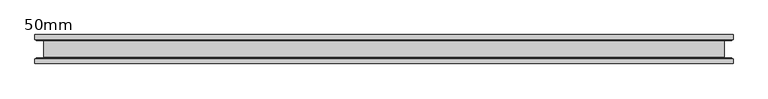
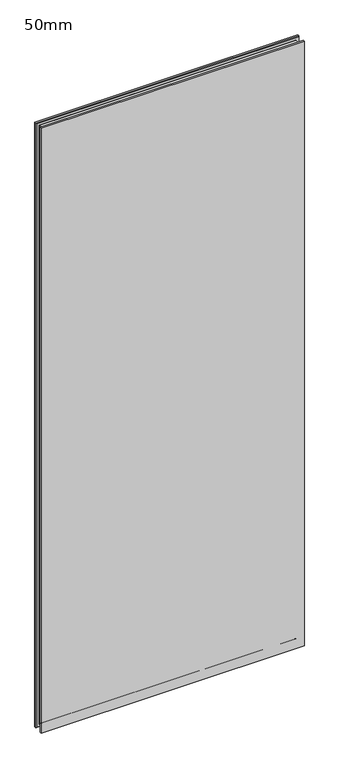
"""IFC4 building model written with IfcOpenShell, lengths in millimetres: plate geometry, 50mm."""

from ifc_helpers import new_model, si_unit, frame, origin, place, context, project, spatial, polyline, ellipse_curve, source, transform, mapped, element, save
from ifc_brep_helpers import plane_surface, revolved_surface, advanced_brep


def plate_50mm_57ffb64d(model_context):
    return source(origin(), model_context, "Body", "AdvancedBrep", [
        advanced_brep(
        [(600.0, 25.0, 2900.0), (-600.0, 25.0, 2900.0), (-600.0, 17.0, 2900.0), (600.0, 17.0, 2900.0), (-600.0, -25.0, 2900.0), (600.0, -25.0, 2900.0), (600.0, -17.0, 2900.0), (-600.0, -17.0, 2900.0), (600.0, -25.0, -13.5), (-600.0, -25.0, -13.5), (-600.0, -17.0, -13.5), (600.0, -17.0, -13.5), (-600.0, 25.0, -13.5), (600.0, 25.0, -13.5), (600.0, 17.0, -13.5), (-600.0, 17.0, -13.5), (-598.0, -15.0, -11.5), (598.0, -15.0, -11.5), (-585.0, -14.4, 1.5), (585.0, -14.4, 1.5), (585.6, -15.0, 0.9), (-585.6, -15.0, 0.9), (-585.0, 14.4, 1.5), (585.0, 14.4, 1.5), (-585.6, 15.0, 0.9), (585.6, 15.0, 0.9), (598.0, 15.0, -11.5), (-598.0, 15.0, -11.5), (598.0, -15.0, 2898.0), (585.0, -14.4, 2885.0), (585.6, -15.0, 2885.6), (585.0, 14.4, 2885.0), (585.6, 15.0, 2885.6), (598.0, 15.0, 2898.0), (-598.0, -15.0, 2898.0), (-585.0, -14.4, 2885.0), (-585.6, -15.0, 2885.6), (-585.0, 14.4, 2885.0), (-585.6, 15.0, 2885.6), (-598.0, 15.0, 2898.0)],
        [
            (0, 1),
            (1, 2),
            (2, 3),
            (3, 0),
            (4, 5),
            (5, 6),
            (6, 7),
            (7, 4),
            (8, 9),
            (9, 10),
            (10, 11),
            (11, 8),
            (12, 13),
            (13, 14),
            (14, 15),
            (15, 12),
            (0, 13),
            (12, 1),
            (15, 2),
            (9, 4),
            (7, 10),
            (8, 5),
            (3, 14),
            (11, 6),
            (16, 17),
            (17, 11),
            (10, 16),
            (18, 19),
            (19, 20, ellipse_curve(frame((585.6, -14.4, 0.9), z_axis=(0.7071067811865475, 0.0, 0.7071067811865475), x_axis=(-0.7071067811865476, 0.0, 0.7071067811865474)), 0.8485281, 0.6)),
            (20, 21),
            (21, 18, ellipse_curve(frame((-585.6, -14.4, 0.9), z_axis=(-0.7071067811865475, 0.0, 0.7071067811865475), x_axis=(-0.7071067811865476, 0.0, -0.7071067811865474)), 0.8485281, 0.6)),
            (18, 22),
            (22, 23),
            (23, 19),
            (22, 24, ellipse_curve(frame((-585.6, 14.4, 0.9), z_axis=(-0.7071067811865475, 0.0, 0.7071067811865475), x_axis=(-0.7071067811865476, 0.0, -0.7071067811865474)), 0.8485281, 0.6)),
            (24, 25),
            (25, 23, ellipse_curve(frame((585.6, 14.4, 0.9), z_axis=(0.7071067811865475, 0.0, 0.7071067811865475), x_axis=(-0.7071067811865476, 0.0, 0.7071067811865474)), 0.8485281, 0.6)),
            (14, 26),
            (26, 27),
            (27, 15),
            (17, 28),
            (28, 6),
            (19, 29),
            (29, 30, ellipse_curve(frame((585.6, -14.4, 2885.6), z_axis=(-0.7071067811865475, 0.0, 0.7071067811865475), x_axis=(-0.7071067811865474, 0.0, -0.7071067811865476)), 0.8485281, 0.6)),
            (30, 20),
            (23, 31),
            (31, 29),
            (25, 32),
            (32, 31, ellipse_curve(frame((585.6, 14.4, 2885.6), z_axis=(-0.7071067811865475, 0.0, 0.7071067811865475), x_axis=(-0.7071067811865474, 0.0, -0.7071067811865476)), 0.8485281, 0.6)),
            (3, 33),
            (33, 26),
            (28, 34),
            (34, 7),
            (29, 35),
            (35, 36, ellipse_curve(frame((-585.6, -14.4, 2885.6), z_axis=(-0.7071067811865475, 0.0, -0.7071067811865475), x_axis=(0.7071067811865476, 0.0, -0.7071067811865474)), 0.8485281, 0.6)),
            (36, 30),
            (31, 37),
            (37, 35),
            (32, 38),
            (38, 37, ellipse_curve(frame((-585.6, 14.4, 2885.6), z_axis=(-0.7071067811865475, 0.0, -0.7071067811865475), x_axis=(0.7071067811865476, 0.0, -0.7071067811865474)), 0.8485281, 0.6)),
            (2, 39),
            (39, 33),
            (34, 16),
            (36, 21),
            (35, 18),
            (37, 22),
            (38, 24),
            (39, 27),
        ],
        [
            plane_surface(frame((-600.0, 25.0, 2900.0), z_axis=(0.0, 0.0, 1.0), x_axis=(-1.0, 0.0, 0.0))),
            plane_surface(frame((-600.0, 25.0, -13.5), z_axis=(0.0, 0.0, -1.0), x_axis=(1.0, 0.0, 0.0))),
            plane_surface(frame((600.0, 25.0, 2900.0), z_axis=(0.0, 1.0, 0.0), x_axis=(0.0, 0.0, -1.0))),
            plane_surface(frame((-600.0, 25.0, 2900.0), z_axis=(-1.0, 0.0, 0.0), x_axis=(0.0, 0.0, -1.0))),
            plane_surface(frame((-600.0, -25.0, 2900.0), z_axis=(0.0, -1.0, 0.0), x_axis=(0.0, 0.0, -1.0))),
            plane_surface(frame((600.0, -25.0, 2900.0), z_axis=(1.0, 0.0, 0.0), x_axis=(0.0, 0.0, -1.0))),
            plane_surface(frame((-600.0, -17.0, -13.5), z_axis=(0.0, 0.7071067811866751, -0.7071067811864199), x_axis=(1.0, 0.0, 0.0))),
            revolved_surface(polyline([(-586.1999999735374, -14.400000000002729, 1.5), (586.1999999735372, -14.400000000002729, 1.5)]), (-586.5, -14.4, 0.9), (-1.0, 0.0, 0.0)),
            plane_surface(frame((-585.0, -14.4, 1.5), z_axis=(0.0, 0.0, -1.0), x_axis=(1.0, 0.0, 0.0))),
            revolved_surface(polyline([(-586.1999999735374, 15.0, 0.9), (586.1999999735372, 15.0, 0.9)]), (-586.5, 14.4, 0.9), (-1.0, 0.0, 0.0)),
            plane_surface(frame((-598.0, 15.0, -11.5), z_axis=(0.0, -0.7071067811660012, -0.7071067812070939), x_axis=(1.0, 0.0, 0.0))),
            plane_surface(frame((600.0, -17.0, -13.5), z_axis=(0.7071067811864199, 0.7071067811866751, 0.0), x_axis=(0.0, 0.0, 1.0))),
            revolved_surface(polyline([(585.0, -14.400000000002729, 0.3000000264626632), (585.0, -14.400000000002729, 2886.199999973537)]), (585.6, -14.4, 0.0), (0.0, 0.0, -1.0)),
            plane_surface(frame((585.0, -14.4, 1.5), z_axis=(1.0, 0.0, 0.0), x_axis=(0.0, 0.0, 1.0))),
            revolved_surface(polyline([(585.6, 15.0, 0.3000000264626632), (585.6, 15.0, 2886.199999973537)]), (585.6, 14.4, 0.0), (0.0, 0.0, -1.0)),
            plane_surface(frame((598.0, 15.0, -11.5), z_axis=(0.7071067812070939, -0.7071067811660012, 0.0), x_axis=(0.0, 0.0, 1.0))),
            plane_surface(frame((600.0, -17.0, 2900.0), z_axis=(0.0, 0.7071067811866751, 0.7071067811864199), x_axis=(-1.0, 0.0, 0.0))),
            revolved_surface(polyline([(586.1999999735374, -14.400000000002729, 2885.0), (-586.1999999735372, -14.400000000002729, 2885.0)]), (586.5, -14.4, 2885.6), (1.0, 0.0, 0.0)),
            plane_surface(frame((585.0, -14.4, 2885.0), z_axis=(0.0, 0.0, 1.0), x_axis=(-1.0, 0.0, 0.0))),
            revolved_surface(polyline([(586.1999999735374, 15.0, 2885.6), (-586.1999999735372, 15.0, 2885.6)]), (586.5, 14.4, 2885.6), (1.0, 0.0, 0.0)),
            plane_surface(frame((598.0, 15.0, 2898.0), z_axis=(0.0, -0.7071067811660012, 0.7071067812070939), x_axis=(-1.0, 0.0, 0.0))),
            plane_surface(frame((-600.0, -17.0, 2900.0), z_axis=(-0.7071067811864199, 0.7071067811866751, 0.0), x_axis=(0.0, 0.0, -1.0))),
            plane_surface(frame((-598.0, -15.0, 2898.0), z_axis=(0.0, 1.0, 0.0), x_axis=(0.0, 0.0, -1.0))),
            revolved_surface(polyline([(-585.0, -14.400000000002729, 2886.199999973537), (-585.0, -14.400000000002729, 0.30000002646283974)]), (-585.6, -14.4, 2886.5), (0.0, 0.0, 1.0)),
            plane_surface(frame((-585.0, -14.4, 2885.0), z_axis=(-1.0, 0.0, 0.0), x_axis=(0.0, 0.0, -1.0))),
            revolved_surface(polyline([(-585.6, 15.0, 2886.199999973537), (-585.6, 15.0, 0.30000002646283974)]), (-585.6, 14.4, 2886.5), (0.0, 0.0, 1.0)),
            plane_surface(frame((-585.6, 15.0, 2885.6), z_axis=(0.0, -1.0, 0.0), x_axis=(0.0, 0.0, -1.0))),
            plane_surface(frame((-598.0, 15.0, 2898.0), z_axis=(-0.7071067812070939, -0.7071067811660012, 0.0), x_axis=(0.0, 0.0, -1.0))),
        ],
        [
            (0, [[1, 2, 3, 4]]),
            (0, [[5, 6, 7, 8]]),
            (1, [[9, 10, 11, 12]]),
            (1, [[13, 14, 15, 16]]),
            (2, [[-1, 17, -13, 18]]),
            (3, [[-18, -16, 19, -2]]),
            (3, [[20, -8, 21, -10]]),
            (4, [[-5, -20, -9, 22]]),
            (5, [[-17, -4, 23, -14]]),
            (5, [[-22, -12, 24, -6]]),
            (6, [[25, 26, -11, 27]]),
            (7, [[28, 29, 30, 31]]),
            (8, [[-28, 32, 33, 34]]),
            (9, [[-33, 35, 36, 37]]),
            (10, [[38, 39, 40, -15]]),
            (11, [[-26, 41, 42, -24]]),
            (12, [[-29, 43, 44, 45]]),
            (13, [[-34, 46, 47, -43]]),
            (14, [[-37, 48, 49, -46]]),
            (15, [[-38, -23, 50, 51]]),
            (16, [[-42, 52, 53, -7]]),
            (17, [[-44, 54, 55, 56]]),
            (18, [[-47, 57, 58, -54]]),
            (19, [[-49, 59, 60, -57]]),
            (20, [[-50, -3, 61, 62]]),
            (21, [[-27, -21, -53, 63]]),
            (22, [[-25, -63, -52, -41], [-30, -45, -56, 64]]),
            (23, [[-31, -64, -55, 65]]),
            (24, [[-32, -65, -58, 66]]),
            (25, [[-35, -66, -60, 67]]),
            (26, [[-39, -51, -62, 68], [-36, -67, -59, -48]]),
            (27, [[-40, -68, -61, -19]]),
        ],
    ),
    ])


if __name__ == "__main__":
    model = new_model("IFC4")
    model_context = context("Model", 3, world=origin())
    ifc_project = project(units=[si_unit("LENGTHUNIT", "METRE", prefix="MILLI")], contexts=[model_context])
    site = spatial("IfcSite", under=ifc_project)
    building = spatial("IfcBuilding", under=site)
    placement = place(None, origin())
    plate_50mm_shape = plate_50mm_57ffb64d(model_context)
    element("IfcPlate", 1, ObjectType="50mm", at=placement, inside=building, context=model_context, shape_type="MappedRepresentation", body=[
        mapped(plate_50mm_shape, transform((0.0, 0.0, 0.0), x_axis=(1.0, 0.0, 0.0), y_axis=(0.0, 1.0, 0.0), z_axis=(0.0, 0.0, 1.0))),
    ])
    save(model, "model.ifc")
